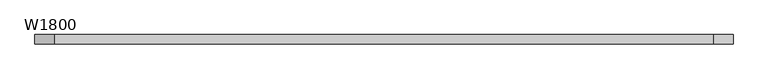
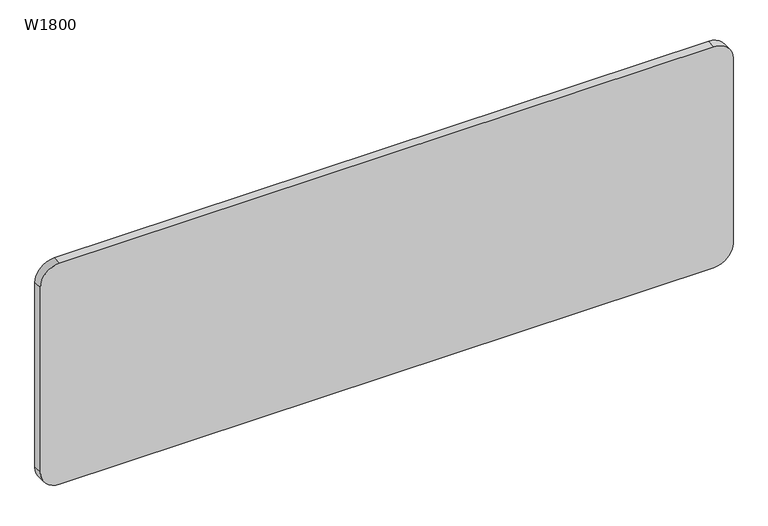
"""IFC4 building model written with IfcOpenShell, lengths in millimetres: furniture geometry, W1800."""

from ifc_helpers import new_model, si_unit, point, frame, frame_2d, origin, place, context, project, spatial, polyline, circle_curve, trimmed, segment, composite_curve, outline, extrude, source, transform, mapped, element, save


def w1800_cefb8683(model_context):
    return source(origin(), model_context, "Body", "SweptSolid", [
        extrude(outline(composite_curve([segment(polyline([(1165.0000005, 849.9999977), (1165.0000005, -850.0000023)]), True, "CONTINUOUS"), segment(trimmed(circle_curve(frame_2d((1115.0000005, -850.0000023)), 50.0), [point((1165.0000005, -850.0000023))], [point((1115.0000005, -900.0000023))], False, "CARTESIAN"), True, "CONTINUOUS"), segment(polyline([(1115.0000005, -900.0000023), (608.0000005, -900.0000023)]), True, "CONTINUOUS"), segment(trimmed(circle_curve(frame_2d((608.0000005, -850.0000023)), 50.0), [point((608.0000005, -900.0000023))], [point((558.0000005, -850.0000023))], False, "CARTESIAN"), True, "CONTINUOUS"), segment(polyline([(558.0000005, -850.0000023), (558.0000005, 849.9999977)]), True, "CONTINUOUS"), segment(trimmed(circle_curve(frame_2d((608.0000005, 849.9999977)), 50.0), [point((558.0000005, 849.9999977))], [point((608.0000005, 899.9999977))], False, "CARTESIAN"), True, "CONTINUOUS"), segment(polyline([(608.0000005, 899.9999977), (1115.0000005, 899.9999977)]), True, "CONTINUOUS"), segment(trimmed(circle_curve(frame_2d((1115.0000005, 849.9999977)), 50.0), [point((1115.0000005, 899.9999977))], [point((1165.0000005, 849.9999977))], False, "CARTESIAN"), True, "CONTINUOUS")], self_intersect=False)), frame((0.0, -12.0000871, 0.0), z_axis=(0.0, 1.0, 0.0), x_axis=(0.0, 0.0, 1.0)), (0.0, 0.0, 1.0), 23.9999995),
    ])


if __name__ == "__main__":
    model = new_model("IFC4")
    model_context = context("Model", 3, world=origin())
    ifc_project = project(units=[si_unit("LENGTHUNIT", "METRE", prefix="MILLI")], contexts=[model_context])
    site = spatial("IfcSite", under=ifc_project)
    building = spatial("IfcBuilding", under=site)
    placement = place(None, origin())
    w1800_shape = w1800_cefb8683(model_context)
    element("IfcFurniture", 1, ObjectType="W1800", at=placement, inside=building, context=model_context, shape_type="MappedRepresentation", body=[
        mapped(w1800_shape, transform((0.0, 0.0, 0.0), x_axis=(1.0, 0.0, 0.0), y_axis=(0.0, 1.0, 0.0), z_axis=(0.0, 0.0, 1.0))),
    ])
    save(model, "model.ifc")
